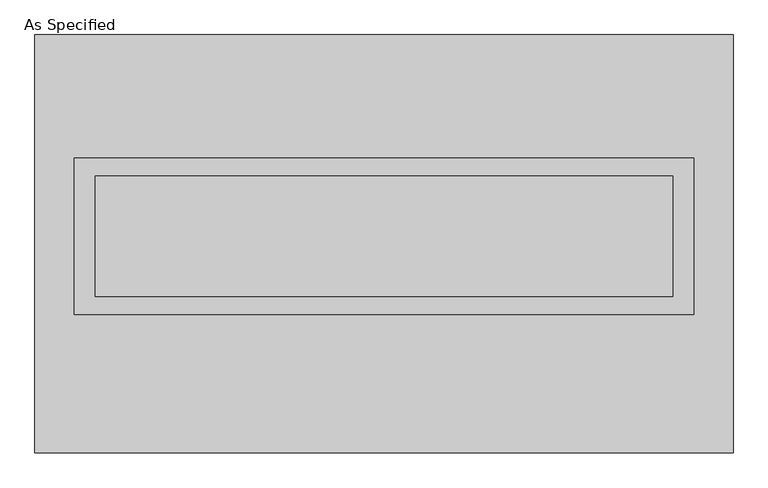
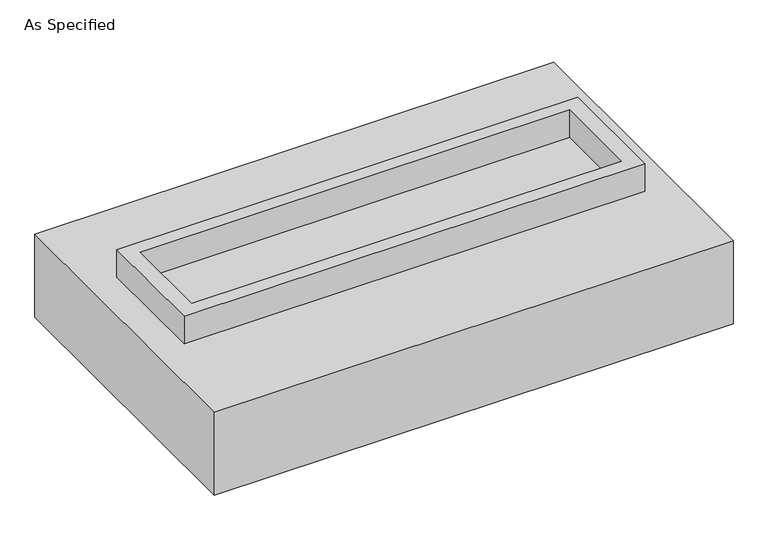
"""IFC4 building model written with IfcOpenShell, lengths in millimetres: proxy geometry, As Specified."""

from ifc_helpers import new_model, si_unit, frame, origin, place, context, project, spatial, polyline, outline, extrude, source, transform, mapped, element, save


def as_specified_81c1ddf9(model_context):
    return source(origin(), model_context, "Body", "SweptSolid", [
        extrude(outline(polyline([(1308.1, 361.95), (1308.1, -298.45), (-1308.1, -298.45), (-1308.1, 361.95), (1308.1, 361.95)]), holes=[polyline([(1219.2, 285.75), (-1219.2, 285.75), (-1219.2, -222.25), (1219.2, -222.25), (1219.2, 285.75)])]), frame((0.0, 0.0, -688.975), z_axis=(0.0, 0.0, 1.0), x_axis=(1.0, 0.0, 0.0)), (0.0, 0.0, 1.0), 165.1),
        extrude(outline(polyline([(1308.1, 361.95), (1308.1, -298.45), (-1308.1, -298.45), (-1308.1, 361.95), (1308.1, 361.95)]), holes=[polyline([(1219.2, 285.75), (-1219.2, 285.75), (-1219.2, -222.25), (1219.2, -222.25), (1219.2, 285.75)])]), frame((0.0, 0.0, -25.4), z_axis=(0.0, 0.0, 1.0), x_axis=(1.0, 0.0, 0.0)), (0.0, 0.0, 1.0), 165.1),
        extrude(outline(polyline([(1219.2, 285.75), (1219.2, -222.25), (-1219.2, -222.25), (-1219.2, 285.75), (1219.2, 285.75)])), frame((0.0, 0.0, -523.875), z_axis=(0.0, 0.0, 1.0), x_axis=(1.0, 0.0, 0.0)), (0.0, 0.0, 1.0), 4.9609375),
        extrude(outline(polyline([(1219.2, 285.75), (1219.2, -222.25), (-1219.2, -222.25), (-1219.2, 285.75), (1219.2, 285.75)])), frame((0.0, 0.0, -30.3609375), z_axis=(0.0, 0.0, 1.0), x_axis=(1.0, 0.0, 0.0)), (0.0, 0.0, 1.0), 4.9609375),
        extrude(outline(polyline([(1473.2, -882.65), (-1473.2, -882.65), (-1473.2, 882.65), (1473.2, 882.65), (1473.2, -882.65)]), holes=[polyline([(-1308.1, 361.95), (-1308.1, -298.45), (1308.1, -298.45), (1308.1, 361.95), (-1308.1, 361.95)])]), frame((0.0, 0.0, -523.875), z_axis=(0.0, 0.0, 1.0), x_axis=(1.0, 0.0, 0.0)), (0.0, 0.0, 1.0), 498.475),
    ])


if __name__ == "__main__":
    model = new_model("IFC4")
    model_context = context("Model", 3, world=origin())
    ifc_project = project(units=[si_unit("LENGTHUNIT", "METRE", prefix="MILLI")], contexts=[model_context])
    site = spatial("IfcSite", under=ifc_project)
    building = spatial("IfcBuilding", under=site)
    placement = place(None, origin())
    as_specified_shape = as_specified_81c1ddf9(model_context)
    element("IfcBuildingElementProxy", 1, Name="As Specified", ObjectType="As Specified", at=placement, inside=building, context=model_context, shape_type="MappedRepresentation", body=[
        mapped(as_specified_shape, transform((0.0, 0.0, 0.0), x_axis=(1.0, 0.0, 0.0), y_axis=(0.0, 1.0, 0.0), z_axis=(0.0, 0.0, 1.0))),
    ])
    save(model, "model.ifc")
